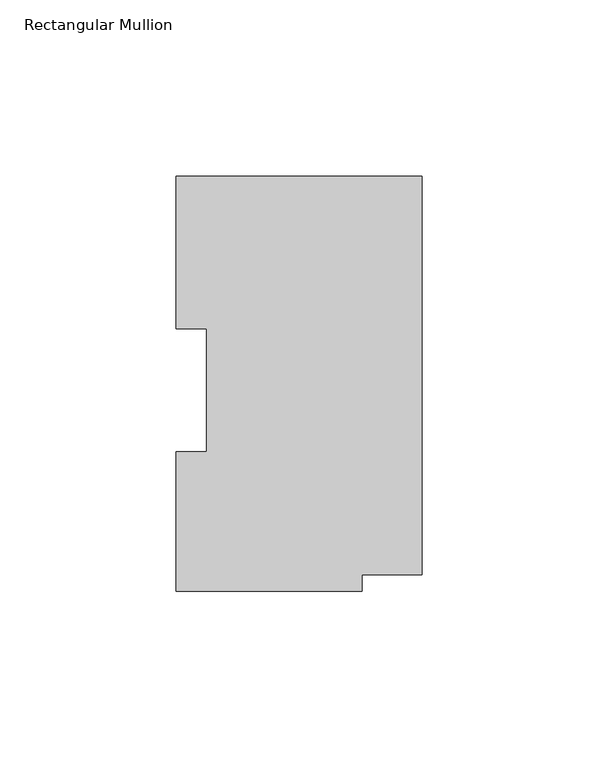
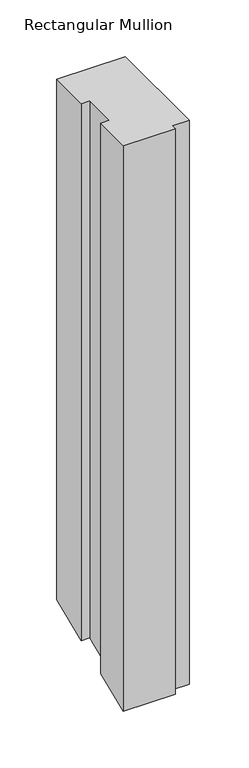
"""IFC4 building model written with IfcOpenShell, lengths in millimetres: member geometry, Rectangular Mullion."""

from ifc_helpers import new_model, si_unit, origin, place, context, project, spatial, faceted_brep, source, transform, mapped, element, save


def rectangular_mullion_9af884f5(model_context):
    return source(origin(), model_context, "Body", "Brep", [
        faceted_brep([(-9.2e-06, 117.8274362, 0.0), (-69.8500092, 117.8274305, 0.0), (-69.8500057, 74.5966391, 0.0), (-61.1124155, 74.5966398, 0.0), (-61.1124126, 39.6462396, 0.0), (-69.8500238, 39.6462388, 0.0), (-69.8500206, -0.0285699, 0.0), (-17.0687996, -0.0285656, 0.0), (-17.0688, 4.7466348, 0.0), (0.0, 4.7466362, 0.0), (-9.2e-06, 117.8274362, -560.781611), (-69.8500092, 117.8274305, -560.7816133), (-69.8500057, 74.5966391, -578.6883934), (-61.1124155, 74.5966398, -578.6883931), (-61.1124126, 39.6462396, -593.1653229), (-69.8500238, 39.6462388, -593.1653232), (-69.8500206, -0.0285699, -609.5991671), (-17.0687996, -0.0285656, -609.5991653), (-17.0688, 4.7466348, -607.6212125), (0.0, 4.7466362, -607.621212)], [[[0, 1, 2, 3, 4, 5, 6, 7, 8, 9]], [[1, 0, 10, 11]], [[2, 1, 11, 12]], [[3, 2, 12, 13]], [[4, 3, 13, 14]], [[5, 4, 14, 15]], [[6, 5, 15, 16]], [[7, 6, 16, 17]], [[8, 7, 17, 18]], [[9, 8, 18, 19]], [[0, 9, 19, 10]], [[10, 19, 18, 17, 16, 15, 14, 13, 12, 11]]]),
    ])


if __name__ == "__main__":
    model = new_model("IFC4")
    model_context = context("Model", 3, world=origin())
    ifc_project = project(units=[si_unit("LENGTHUNIT", "METRE", prefix="MILLI")], contexts=[model_context])
    site = spatial("IfcSite", under=ifc_project)
    building = spatial("IfcBuilding", under=site)
    placement = place(None, origin())
    rectangular_mullion_shape = rectangular_mullion_9af884f5(model_context)
    element("IfcMember", 1, ObjectType="Rectangular Mullion", at=placement, inside=building, context=model_context, shape_type="MappedRepresentation", body=[
        mapped(rectangular_mullion_shape, transform((0.0, 0.0, 0.0), x_axis=(1.0, 0.0, 0.0), y_axis=(0.0, 1.0, 0.0), z_axis=(0.0, 0.0, 1.0))),
    ])
    save(model, "model.ifc")
